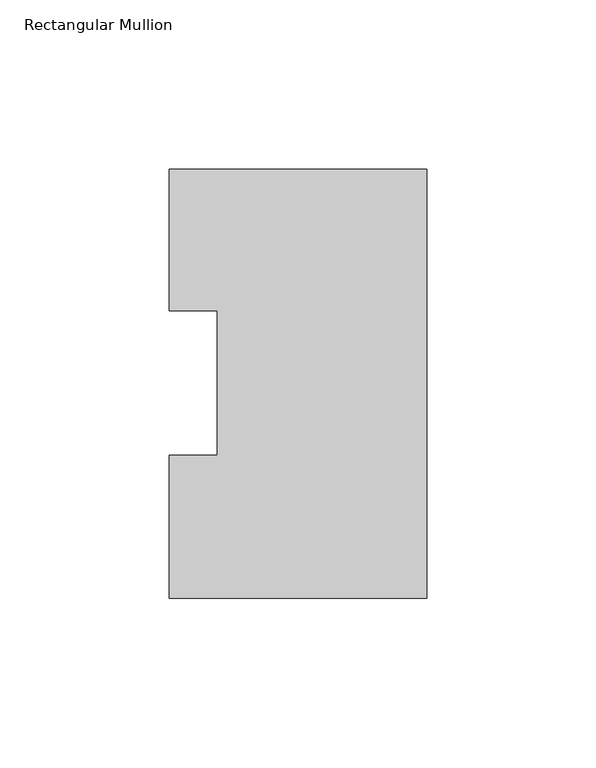
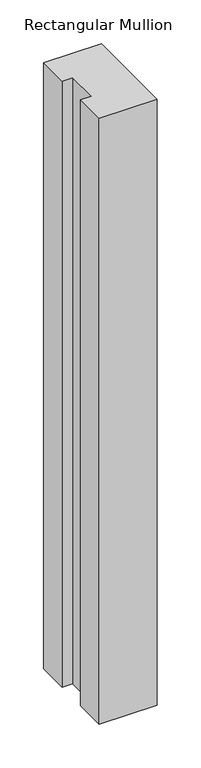
"""IFC4 building model written with IfcOpenShell, lengths in millimetres: member geometry, Rectangular Mullion."""

from ifc_helpers import new_model, si_unit, frame, origin, place, context, project, spatial, polyline, outline, extrude, source, transform, mapped, element, save


def rectangular_mullion_2cac028b(model_context):
    return source(origin(), model_context, "Body", "SweptSolid", [
        extrude(outline(polyline([(0.0, 126.9888875), (0.0, -0.0111125), (-76.1994574, -0.0111125), (-76.1994574, 42.2798875), (-61.9139549, 42.2798875), (-61.9139549, 85.1296875), (-76.1994574, 85.1296875), (-76.1994574, 126.9888875), (0.0, 126.9888875)])), frame((0.0, 0.0, -844.55), z_axis=(0.0, 0.0, 1.0), x_axis=(1.0, 0.0, 0.0)), (0.0, 0.0, 1.0), 844.55),
    ])


if __name__ == "__main__":
    model = new_model("IFC4")
    model_context = context("Model", 3, world=origin())
    ifc_project = project(units=[si_unit("LENGTHUNIT", "METRE", prefix="MILLI")], contexts=[model_context])
    site = spatial("IfcSite", under=ifc_project)
    building = spatial("IfcBuilding", under=site)
    placement = place(None, origin())
    rectangular_mullion_shape = rectangular_mullion_2cac028b(model_context)
    element("IfcMember", 1, ObjectType="Rectangular Mullion", at=placement, inside=building, context=model_context, shape_type="MappedRepresentation", body=[
        mapped(rectangular_mullion_shape, transform((0.0, 0.0, 0.0), x_axis=(1.0, 0.0, 0.0), y_axis=(0.0, 1.0, 0.0), z_axis=(0.0, 0.0, 1.0))),
    ])
    save(model, "model.ifc")
